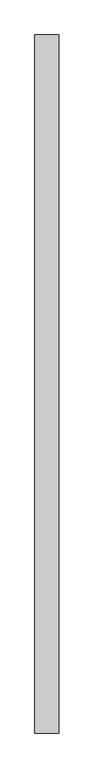
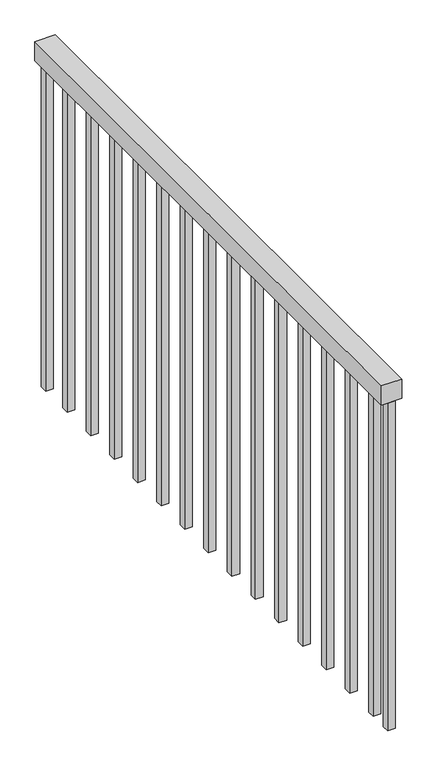
"""IFC4 building model written with IfcOpenShell, lengths in millimetres: railing geometry."""

import ifcopenshell
import ifcopenshell.guid

model = None  # the IFC model being written
_history = None  # IfcOwnerHistory: only IFC2X3 demands one
_inside = {}  # id of a spatial element -> (the spatial element, [elements in it])
_under = {}  # id of a project, library or spatial element -> (it, [spatial elements below it])
_declared = {}  # id of a project -> (the project, [libraries it declares])
_typed = {}  # id of a type object -> (the type object, [elements of that type])
_made_of = {}  # id of a material, layer set ... -> (it, [elements and type objects made of it])


def new_model(schema):
    """Start an empty IFC model of exactly this schema.

    Asked for "IFC4X3", IfcOpenShell would pick the latest addendum, in which some entities
    have other attributes; the version numbers below select the first issue.
    IFC2X3 requires an IfcOwnerHistory on every rooted entity: one is made here for all.
    """
    global model, _history
    if schema == "IFC4X3":
        model = ifcopenshell.file(schema_version=(4, 3, 0, 0))
    else:
        model = ifcopenshell.file(schema=schema)
    _inside.clear()
    _under.clear()
    _declared.clear()
    _typed.clear()
    _made_of.clear()
    _history = None
    if model.schema == "IFC2X3":
        org = make("IfcOrganization", Name="unknown")
        user = make(
            "IfcPersonAndOrganization",
            ThePerson=make("IfcPerson", FamilyName="unknown"),
            TheOrganization=org,
        )
        app = make(
            "IfcApplication",
            ApplicationDeveloper=org,
            Version="unknown",
            ApplicationFullName="unknown",
            ApplicationIdentifier="unknown",
        )
        _history = make(
            "IfcOwnerHistory",
            OwningUser=user,
            OwningApplication=app,
            ChangeAction="ADDED",
            CreationDate=0,
        )
    return model


def make(cls, **values):
    """One entity of the class cls with the attributes given. An attribute that is None is left unset."""
    return model.create_entity(
        cls, **{name: value for name, value in values.items() if value is not None}
    )


def rooted(cls, **values):
    """An entity with a GlobalId (a new one), such as an element, a storey or a relation."""
    return make(cls, GlobalId=ifcopenshell.guid.new(), OwnerHistory=_history, **values)


def si_unit(unit_type, name, prefix=None):
    """IfcSIUnit, for example si_unit("LENGTHUNIT", "METRE", prefix="MILLI")."""
    return make("IfcSIUnit", UnitType=unit_type, Prefix=prefix, Name=name)


def assignment(units):
    """IfcUnitAssignment: the units of a project."""
    return None if units is None else make("IfcUnitAssignment", Units=units)


def point(xyz):
    """IfcCartesianPoint."""
    return None if xyz is None else make("IfcCartesianPoint", Coordinates=xyz)


def direction(xyz):
    """IfcDirection."""
    return None if xyz is None else make("IfcDirection", DirectionRatios=xyz)


def frame(location, z_axis=None, x_axis=None):
    """IfcAxis2Placement3D, a coordinate frame: its origin and axes. An axis left out is left unset."""
    return make(
        "IfcAxis2Placement3D",
        Location=point(location),
        Axis=direction(z_axis),
        RefDirection=direction(x_axis),
    )


def origin():
    """The frame at (0, 0, 0) with its axes left unset."""
    return frame((0.0, 0.0, 0.0))


def place(relative_to, where):
    """IfcLocalPlacement: puts the frame where relative to a parent placement (None: the world)."""
    return make(
        "IfcLocalPlacement", PlacementRelTo=relative_to, RelativePlacement=where
    )


def context(
    kind, dimensions, precision=None, world=None, true_north=None, identifier=None
):
    """IfcGeometricRepresentationContext, for example the 3D "Model" context."""
    return make(
        "IfcGeometricRepresentationContext",
        ContextIdentifier=identifier,
        ContextType=kind,
        CoordinateSpaceDimension=dimensions,
        Precision=precision,
        WorldCoordinateSystem=world,
        TrueNorth=true_north,
    )


def project(units=None, contexts=None):
    """IfcProject with its units and contexts."""
    return rooted(
        "IfcProject",
        Name="project",
        RepresentationContexts=contexts,
        UnitsInContext=assignment(units),
    )


def spatial(cls, under=None, at=None, **own):
    """A site, building, storey or space (cls), placed at a placement, below another one or the project."""
    s = rooted(cls, ObjectPlacement=at, **own)
    if under is not None:
        _under.setdefault(under.id(), (under, []))[1].append(s)
    return s


def polyline(points):
    """IfcPolyline through the points."""
    return make("IfcPolyline", Points=[point(p) for p in points])


def outline(outer, holes=None, kind="AREA"):
    """IfcArbitraryClosedProfileDef: a profile drawn as a closed curve; with holes, ...WithVoids."""
    if holes is None:
        return make("IfcArbitraryClosedProfileDef", ProfileType=kind, OuterCurve=outer)
    return make(
        "IfcArbitraryProfileDefWithVoids",
        ProfileType=kind,
        OuterCurve=outer,
        InnerCurves=holes,
    )


def extrude(swept, where, along, depth):
    """IfcExtrudedAreaSolid: the profile swept, set in the frame where, extruded along a direction by depth."""
    return make(
        "IfcExtrudedAreaSolid",
        SweptArea=swept,
        Position=where,
        ExtrudedDirection=direction(along),
        Depth=depth,
    )


def shape(context_of_items, identifier, shape_type, items):
    """IfcShapeRepresentation: the items that make up one representation, for example the "Body"."""
    return make(
        "IfcShapeRepresentation",
        ContextOfItems=context_of_items,
        RepresentationIdentifier=identifier,
        RepresentationType=shape_type,
        Items=items,
    )


def source(mapping_origin, context_of_items, identifier, shape_type, items):
    """IfcRepresentationMap: a shape defined once, which mapped items show again and again."""
    return make(
        "IfcRepresentationMap",
        MappingOrigin=mapping_origin,
        MappedRepresentation=shape(context_of_items, identifier, shape_type, items),
    )


def transform(
    local_origin,
    x_axis=None,
    y_axis=None,
    z_axis=None,
    scale=None,
    scale2=None,
    scale3=None,
    uniform=True,
):
    """IfcCartesianTransformationOperator3D, or its non-uniform kind. x_axis, y_axis, z_axis: its Axis1, 2, 3."""
    if uniform:
        return make(
            "IfcCartesianTransformationOperator3D",
            Axis1=direction(x_axis),
            Axis2=direction(y_axis),
            LocalOrigin=point(local_origin),
            Scale=scale,
            Axis3=direction(z_axis),
        )
    return make(
        "IfcCartesianTransformationOperator3DnonUniform",
        Axis1=direction(x_axis),
        Axis2=direction(y_axis),
        LocalOrigin=point(local_origin),
        Scale=scale,
        Axis3=direction(z_axis),
        Scale2=scale2,
        Scale3=scale3,
    )


def mapped(mapping_source, mapping_target):
    """IfcMappedItem: shows the shape of a source again, moved by a transform."""
    return make(
        "IfcMappedItem", MappingSource=mapping_source, MappingTarget=mapping_target
    )


def made_of(thing, what):
    """Note that an element or type object is made of a material, layer set ...; save() writes the relation."""
    if what is not None:
        _made_of.setdefault(what.id(), (what, []))[1].append(thing)
    return thing


def element(
    cls,
    number,
    at=None,
    inside=None,
    cuts=None,
    type_object=None,
    material=None,
    context=None,
    identifier="Body",
    shape_type=None,
    held_by="IfcProductDefinitionShape",
    body=None,
    shapes=None,
    **own,
):
    """One element of the class cls, such as IfcWall. Its Tag is "e" and its number.

    at: its placement. inside: the storey or other place that contains it. cuts: it is an
    opening in that element (IfcRelVoidsElement). A single representation is given by context,
    identifier, shape_type and body (its items); several are given by shapes. held_by: the class
    of the entity that holds the representations. save() writes the other relations.
    """
    e = rooted(cls, Tag="e%d" % number, ObjectPlacement=at, **own)
    if body is not None:
        shapes = [shape(context, identifier, shape_type, body)]
    if shapes is not None:
        e.Representation = make(held_by, Representations=shapes)
    if inside is not None:
        _inside.setdefault(inside.id(), (inside, []))[1].append(e)
    if cuts is not None:
        rooted(
            "IfcRelVoidsElement", RelatingBuildingElement=cuts, RelatedOpeningElement=e
        )
    if type_object is not None:
        _typed.setdefault(type_object.id(), (type_object, []))[1].append(e)
    return made_of(e, material)


def aggregate(whole, parts):
    """IfcRelAggregates: a whole, such as a stair, and the parts it consists of."""
    return rooted("IfcRelAggregates", RelatingObject=whole, RelatedObjects=parts)


def save(model, path):
    """Write the relations noted so far, then the file.

    IfcRelAggregates (storeys below a building ...), IfcRelContainedInSpatialStructure (elements
    in a storey), IfcRelDefinesByType, IfcRelAssociatesMaterial and IfcRelDeclares: one each for
    every whole, place, type object, material and project.
    """
    for whole, parts in _under.values():
        aggregate(whole, parts)
    for where, things in _inside.values():
        rooted(
            "IfcRelContainedInSpatialStructure",
            RelatedElements=things,
            RelatingStructure=where,
        )
    for kind, things in _typed.values():
        rooted("IfcRelDefinesByType", RelatedObjects=things, RelatingType=kind)
    for what, things in _made_of.values():
        rooted("IfcRelAssociatesMaterial", RelatedObjects=things, RelatingMaterial=what)
    for by, libraries in _declared.values():
        rooted("IfcRelDeclares", RelatingContext=by, RelatedDefinitions=libraries)
    model.write(path)


def railing_0ca504bd(model_context):
    return source(origin(), model_context, "Body", "SweptSolid", [
        extrude(outline(polyline([(-9231.4013164, 1522.1062192), (-9180.6013164, 1522.1062192), (-9180.6013164, 27.1062192), (-9231.4013164, 27.1062192), (-9231.4013164, 1522.1062192)])), frame((0.0, 0.0, 3863.6), z_axis=(0.0, 0.0, 1.0), x_axis=(1.0, 0.0, 0.0)), (0.0, 0.0, 1.0), 50.8),
        extrude(outline(polyline([(-9215.5263164, 109.2312192), (-9196.4763164, 109.2312192), (-9196.4763164, 90.1812192), (-9215.5263164, 90.1812192), (-9215.5263164, 109.2312192)])), frame((0.0, 0.0, 3000.0), z_axis=(0.0, 0.0, 1.0), x_axis=(1.0, 0.0, 0.0)), (0.0, 0.0, 1.0), 863.6),
        extrude(outline(polyline([(-9215.5263164, 210.8312192), (-9196.4763164, 210.8312192), (-9196.4763164, 191.7812192), (-9215.5263164, 191.7812192), (-9215.5263164, 210.8312192)])), frame((0.0, 0.0, 3000.0), z_axis=(0.0, 0.0, 1.0), x_axis=(1.0, 0.0, 0.0)), (0.0, 0.0, 1.0), 863.6),
        extrude(outline(polyline([(-9215.5263164, 312.4312192), (-9196.4763164, 312.4312192), (-9196.4763164, 293.3812192), (-9215.5263164, 293.3812192), (-9215.5263164, 312.4312192)])), frame((0.0, 0.0, 3000.0), z_axis=(0.0, 0.0, 1.0), x_axis=(1.0, 0.0, 0.0)), (0.0, 0.0, 1.0), 863.6),
        extrude(outline(polyline([(-9215.5263164, 414.0312192), (-9196.4763164, 414.0312192), (-9196.4763164, 394.9812192), (-9215.5263164, 394.9812192), (-9215.5263164, 414.0312192)])), frame((0.0, 0.0, 3000.0), z_axis=(0.0, 0.0, 1.0), x_axis=(1.0, 0.0, 0.0)), (0.0, 0.0, 1.0), 863.6),
        extrude(outline(polyline([(-9215.5263164, 515.6312192), (-9196.4763164, 515.6312192), (-9196.4763164, 496.5812192), (-9215.5263164, 496.5812192), (-9215.5263164, 515.6312192)])), frame((0.0, 0.0, 3000.0), z_axis=(0.0, 0.0, 1.0), x_axis=(1.0, 0.0, 0.0)), (0.0, 0.0, 1.0), 863.6),
        extrude(outline(polyline([(-9215.5263164, 617.2312192), (-9196.4763164, 617.2312192), (-9196.4763164, 598.1812192), (-9215.5263164, 598.1812192), (-9215.5263164, 617.2312192)])), frame((0.0, 0.0, 3000.0), z_axis=(0.0, 0.0, 1.0), x_axis=(1.0, 0.0, 0.0)), (0.0, 0.0, 1.0), 863.6),
        extrude(outline(polyline([(-9215.5263164, 718.8312192), (-9196.4763164, 718.8312192), (-9196.4763164, 699.7812192), (-9215.5263164, 699.7812192), (-9215.5263164, 718.8312192)])), frame((0.0, 0.0, 3000.0), z_axis=(0.0, 0.0, 1.0), x_axis=(1.0, 0.0, 0.0)), (0.0, 0.0, 1.0), 863.6),
        extrude(outline(polyline([(-9215.5263164, 820.4312192), (-9196.4763164, 820.4312192), (-9196.4763164, 801.3812192), (-9215.5263164, 801.3812192), (-9215.5263164, 820.4312192)])), frame((0.0, 0.0, 3000.0), z_axis=(0.0, 0.0, 1.0), x_axis=(1.0, 0.0, 0.0)), (0.0, 0.0, 1.0), 863.6),
        extrude(outline(polyline([(-9215.5263164, 922.0312192), (-9196.4763164, 922.0312192), (-9196.4763164, 902.9812192), (-9215.5263164, 902.9812192), (-9215.5263164, 922.0312192)])), frame((0.0, 0.0, 3000.0), z_axis=(0.0, 0.0, 1.0), x_axis=(1.0, 0.0, 0.0)), (0.0, 0.0, 1.0), 863.6),
        extrude(outline(polyline([(-9215.5263164, 1023.6312192), (-9196.4763164, 1023.6312192), (-9196.4763164, 1004.5812192), (-9215.5263164, 1004.5812192), (-9215.5263164, 1023.6312192)])), frame((0.0, 0.0, 3000.0), z_axis=(0.0, 0.0, 1.0), x_axis=(1.0, 0.0, 0.0)), (0.0, 0.0, 1.0), 863.6),
        extrude(outline(polyline([(-9215.5263164, 1125.2312192), (-9196.4763164, 1125.2312192), (-9196.4763164, 1106.1812192), (-9215.5263164, 1106.1812192), (-9215.5263164, 1125.2312192)])), frame((0.0, 0.0, 3000.0), z_axis=(0.0, 0.0, 1.0), x_axis=(1.0, 0.0, 0.0)), (0.0, 0.0, 1.0), 863.6),
        extrude(outline(polyline([(-9215.5263164, 1226.8312192), (-9196.4763164, 1226.8312192), (-9196.4763164, 1207.7812192), (-9215.5263164, 1207.7812192), (-9215.5263164, 1226.8312192)])), frame((0.0, 0.0, 3000.0), z_axis=(0.0, 0.0, 1.0), x_axis=(1.0, 0.0, 0.0)), (0.0, 0.0, 1.0), 863.6),
        extrude(outline(polyline([(-9215.5263164, 1328.4312192), (-9196.4763164, 1328.4312192), (-9196.4763164, 1309.3812192), (-9215.5263164, 1309.3812192), (-9215.5263164, 1328.4312192)])), frame((0.0, 0.0, 3000.0), z_axis=(0.0, 0.0, 1.0), x_axis=(1.0, 0.0, 0.0)), (0.0, 0.0, 1.0), 863.6),
        extrude(outline(polyline([(-9215.5263164, 1430.0312192), (-9196.4763164, 1430.0312192), (-9196.4763164, 1410.9812192), (-9215.5263164, 1410.9812192), (-9215.5263164, 1430.0312192)])), frame((0.0, 0.0, 3000.0), z_axis=(0.0, 0.0, 1.0), x_axis=(1.0, 0.0, 0.0)), (0.0, 0.0, 1.0), 863.6),
        extrude(outline(polyline([(-9215.5263164, 46.1312192), (-9196.4763164, 46.1312192), (-9196.4763164, 27.0812192), (-9215.5263164, 27.0812192), (-9215.5263164, 46.1312192)])), frame((0.0, 0.0, 3000.0), z_axis=(0.0, 0.0, 1.0), x_axis=(1.0, 0.0, 0.0)), (0.0, 0.0, 1.0), 863.6),
        extrude(outline(polyline([(-9215.5263164, 1522.1312192), (-9196.4763164, 1522.1312192), (-9196.4763164, 1503.0812192), (-9215.5263164, 1503.0812192), (-9215.5263164, 1522.1312192)])), frame((0.0, 0.0, 3000.0), z_axis=(0.0, 0.0, 1.0), x_axis=(1.0, 0.0, 0.0)), (0.0, 0.0, 1.0), 863.6),
    ])


if __name__ == "__main__":
    model = new_model("IFC4")
    model_context = context("Model", 3, world=origin())
    ifc_project = project(units=[si_unit("LENGTHUNIT", "METRE", prefix="MILLI")], contexts=[model_context])
    site = spatial("IfcSite", under=ifc_project)
    building = spatial("IfcBuilding", under=site)
    placement = place(None, origin())
    railing_shape = railing_0ca504bd(model_context)
    element("IfcRailing", 1, at=placement, inside=building, context=model_context, shape_type="MappedRepresentation", body=[
        mapped(railing_shape, transform((0.0, 0.0, 0.0), x_axis=(1.0, 0.0, 0.0), y_axis=(0.0, 1.0, 0.0), z_axis=(0.0, 0.0, 1.0))),
    ])
    save(model, "model.ifc")
